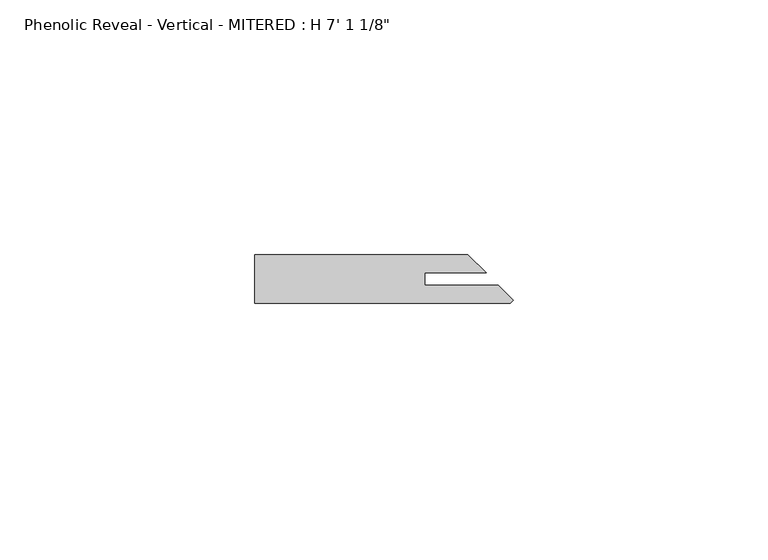
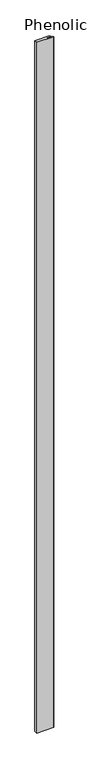
"""IFC4 building model written with IfcOpenShell, lengths in millimetres: proxy geometry."""

from ifc_helpers import new_model, si_unit, origin, origin_with_axes, place, context, project, spatial, polyline, outline, extrude, source, transform, mapped, element, save


def proxy_a77092bf(model_context):
    return source(origin(), model_context, "Body", "SweptSolid", [
        extrude(outline(polyline([(33.3941322, -5.969), (47.8623619, -5.969), (50.8, -8.9066381), (50.1816381, -9.525), (0.0, -9.525), (0.0, 0.0), (41.8933619, 0.0), (45.4493619, -3.556), (33.3941322, -3.556), (33.3941322, -5.969)])), origin_with_axes(), (0.0, 0.0, 1.0), 2162.175),
    ])


if __name__ == "__main__":
    model = new_model("IFC4")
    model_context = context("Model", 3, world=origin())
    ifc_project = project(units=[si_unit("LENGTHUNIT", "METRE", prefix="MILLI")], contexts=[model_context])
    site = spatial("IfcSite", under=ifc_project)
    building = spatial("IfcBuilding", under=site)
    placement = place(None, origin())
    proxy_shape = proxy_a77092bf(model_context)
    element("IfcBuildingElementProxy", 1, Name="Phenolic Reveal - Vertical - MITERED : H 7' 1 1/8\"", ObjectType="Phenolic Reveal - Vertical - MITERED : H 7' 1 1/8\"", at=placement, inside=building, context=model_context, shape_type="MappedRepresentation", body=[
        mapped(proxy_shape, transform((0.0, 0.0, 0.0), x_axis=(1.0, 0.0, 0.0), y_axis=(0.0, 1.0, 0.0), z_axis=(0.0, 0.0, 1.0))),
    ])
    save(model, "model.ifc")
